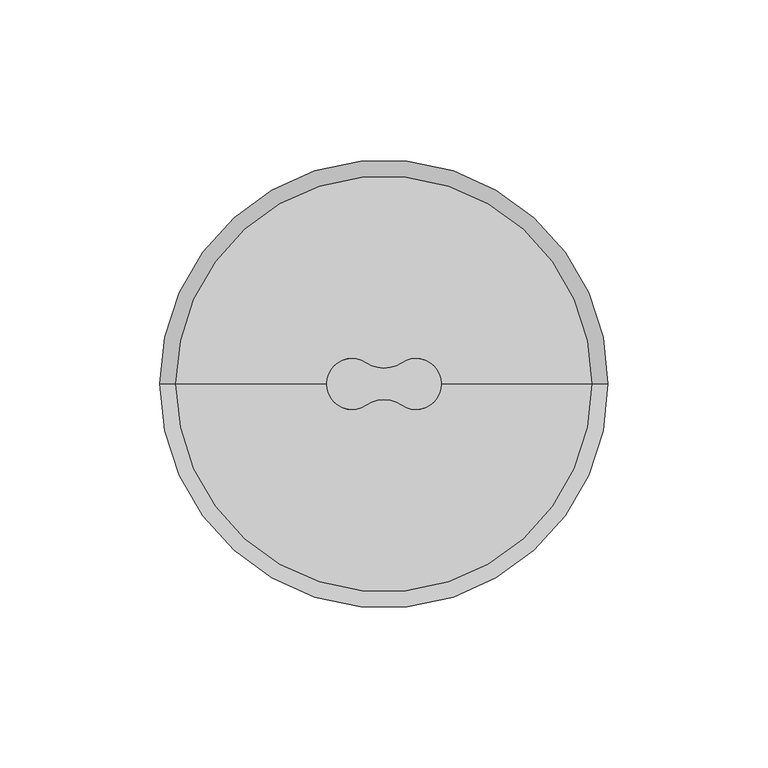
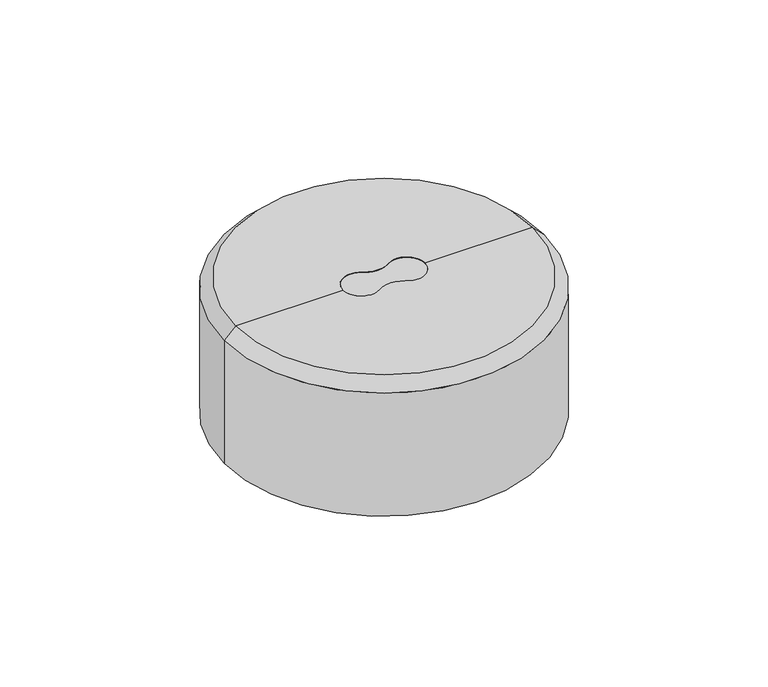
"""IFC4 building model written with IfcOpenShell, lengths in millimetres: light fixture geometry."""

from ifc_helpers import new_model, si_unit, point, frame, frame_2d, origin, place, context, project, spatial, polyline, circle_curve, trimmed, segment, composite_curve, outline, extrude, source, transform, mapped, element, save
from ifc_brep_helpers import plane_surface, cylinder_surface, revolved_surface, advanced_brep


def light_fixture_feec19c9(model_context):
    return source(origin(), model_context, "Body", "SolidModel", [
        advanced_brep(
        [(0.0, 0.0, 0.0), (-70.0, 0.0, 0.0), (70.0, 0.0, 0.0), (65.0, 0.0, 62.0), (-65.0, 0.0, 62.0), (-18.0, 0.0, 62.0), (-5.5555556, 6.6518354, 62.0), (5.5555556, 6.6518354, 62.0), (18.0, 0.0, 62.0), (5.5555556, -6.6518354, 62.0), (-5.5555556, -6.6518354, 62.0), (70.0, 0.0, 57.0), (-70.0, 0.0, 57.0), (-5.5555556, -6.6518354, 57.0), (5.5555556, -6.6518354, 57.0), (5.5555556, 6.6518354, 57.0), (-5.5555556, 6.6518354, 57.0)],
        [
            (0, 1),
            (1, 2, circle_curve(frame((0.0, 0.0, 0.0), z_axis=(0.0, 0.0, -1.0), x_axis=(-1.0, 0.0, 0.0)), 70.0)),
            (2, 0),
            (2, 1, circle_curve(frame((0.0, 0.0, 0.0), z_axis=(0.0, 0.0, -1.0), x_axis=(-1.0, 0.0, 0.0)), 70.0)),
            (3, 4, circle_curve(frame((0.0, 0.0, 62.0), z_axis=(0.0, 0.0, 1.0), x_axis=(-1.0, 0.0, 0.0)), 65.0)),
            (4, 5),
            (5, 6, circle_curve(frame((-10.0, 0.0, 62.0), z_axis=(0.0, 0.0, -1.0), x_axis=(1.0, 0.0, 0.0)), 8.0)),
            (6, 7, circle_curve(frame((0.0, 14.9666295, 62.0), z_axis=(0.0, 0.0, 1.0), x_axis=(1.0, 0.0, 0.0)), 10.0)),
            (7, 8, circle_curve(frame((10.0, 0.0, 62.0), z_axis=(0.0, 0.0, -1.0), x_axis=(-1.0, 0.0, 0.0)), 8.0)),
            (8, 3),
            (4, 3, circle_curve(frame((0.0, 0.0, 62.0), z_axis=(0.0, 0.0, 1.0), x_axis=(-1.0, 0.0, 0.0)), 65.0)),
            (8, 9, circle_curve(frame((10.0, 0.0, 62.0), z_axis=(0.0, 0.0, -1.0), x_axis=(-1.0, 0.0, 0.0)), 8.0)),
            (9, 10, circle_curve(frame((0.0, -14.9666295, 62.0), z_axis=(0.0, 0.0, 1.0), x_axis=(1.0, 0.0, 0.0)), 10.0)),
            (10, 5, circle_curve(frame((-10.0, 0.0, 62.0), z_axis=(0.0, 0.0, -1.0), x_axis=(1.0, 0.0, 0.0)), 8.0)),
            (3, 11),
            (11, 12, circle_curve(frame((0.0, 0.0, 57.0), z_axis=(0.0, 0.0, 1.0), x_axis=(-1.0, 0.0, 0.0)), 70.0)),
            (12, 4),
            (12, 11, circle_curve(frame((0.0, 0.0, 57.0), z_axis=(0.0, 0.0, 1.0), x_axis=(-1.0, 0.0, 0.0)), 70.0)),
            (1, 12),
            (11, 2),
            (13, 14, circle_curve(frame((0.0, -14.9666295, 57.0), z_axis=(0.0, 0.0, -1.0), x_axis=(1.0, 0.0, 0.0)), 10.0)),
            (14, 15, circle_curve(frame((10.0, 0.0, 57.0), z_axis=(0.0, 0.0, 1.0), x_axis=(-1.0, 0.0, 0.0)), 8.0)),
            (15, 16, circle_curve(frame((0.0, 14.9666295, 57.0), z_axis=(0.0, 0.0, -1.0), x_axis=(1.0, 0.0, 0.0)), 10.0)),
            (16, 13, circle_curve(frame((-10.0, 0.0, 57.0), z_axis=(0.0, 0.0, 1.0), x_axis=(1.0, 0.0, 0.0)), 8.0)),
            (13, 10),
            (9, 14),
            (7, 15),
            (6, 16),
        ],
        [
            plane_surface(frame((0.0, 0.0, 0.0), z_axis=(0.0, 0.0, -1.0), x_axis=(-1.0, 0.0, 0.0))),
            plane_surface(frame((0.0, 0.0, 62.0), z_axis=(0.0, 0.0, 1.0), x_axis=(-1.0, 0.0, 0.0))),
            revolved_surface(polyline([(-65.0, 0.0, 62.0), (-70.0, 0.0, 57.0)]), (0.0, 0.0, 0.0), (0.0, 0.0, -1.0)),
            cylinder_surface(frame((0.0, 0.0, 0.0), z_axis=(0.0, 0.0, -1.0), x_axis=(-1.0, 0.0, 0.0)), 70.0),
            plane_surface(frame((10.0, -14.9666295, 57.0), z_axis=(0.0, 0.0, 1.0), x_axis=(0.0, 1.0, 0.0))),
            cylinder_surface(frame((0.0, -14.9666295, 57.0), z_axis=(0.0, 0.0, -1.0), x_axis=(1.0, 0.0, 0.0)), 10.0),
            revolved_surface(polyline([(2.0, 0.0, 62.0), (2.0, 0.0, 57.0)]), (10.0, 0.0, 57.0), (0.0, 0.0, 1.0)),
            cylinder_surface(frame((0.0, 14.9666295, 57.0), z_axis=(0.0, 0.0, -1.0), x_axis=(1.0, 0.0, 0.0)), 10.0),
            revolved_surface(polyline([(-2.0, 0.0, 62.0), (-2.0, 0.0, 57.0)]), (-10.0, 0.0, 57.0), (0.0, 0.0, 1.0)),
        ],
        [
            (0, [[1, 2, 3]]),
            (0, [[-1, -3, 4]]),
            (1, [[5, 6, 7, 8, 9, 10]]),
            (1, [[11, -10, 12, 13, 14, -6]]),
            (2, [[-5, 15, 16, 17]]),
            (2, [[-11, -17, 18, -15]]),
            (3, [[-2, 19, -16, 20]]),
            (3, [[-4, -20, -18, -19]]),
            (4, [[21, 22, 23, 24]]),
            (5, [[-21, 25, -13, 26]]),
            (6, [[-22, -26, -12, -9, 27]]),
            (7, [[-23, -27, -8, 28]]),
            (8, [[-24, -28, -7, -14, -25]]),
        ],
    ),
        extrude(outline(composite_curve([segment(trimmed(circle_curve(frame_2d((-10.0, 0.0)), 8.0), [point((-5.5555556, -6.6518354))], [point((-5.5555556, 6.6518354))], False, "CARTESIAN"), True, "CONTINUOUS"), segment(trimmed(circle_curve(frame_2d((0.0, 14.9666295)), 10.0), [point((-5.5555556, 6.6518354))], [point((5.5555556, 6.6518354))], True, "CARTESIAN"), True, "CONTINUOUS"), segment(trimmed(circle_curve(frame_2d((10.0, 0.0)), 8.0), [point((5.5555556, 6.6518354))], [point((5.5555556, -6.6518354))], False, "CARTESIAN"), True, "CONTINUOUS"), segment(trimmed(circle_curve(frame_2d((0.0, -14.9666295)), 10.0), [point((5.5555556, -6.6518354))], [point((-5.5555556, -6.6518354))], True, "CARTESIAN"), True, "CONTINUOUS")], self_intersect=False)), frame((0.0, 0.0, 57.0), z_axis=(0.0, 0.0, 1.0), x_axis=(1.0, 0.0, 0.0)), (0.0, 0.0, 1.0), 5.0),
    ])


if __name__ == "__main__":
    model = new_model("IFC4")
    model_context = context("Model", 3, world=origin())
    ifc_project = project(units=[si_unit("LENGTHUNIT", "METRE", prefix="MILLI")], contexts=[model_context])
    site = spatial("IfcSite", under=ifc_project)
    building = spatial("IfcBuilding", under=site)
    placement = place(None, origin())
    light_fixture_shape = light_fixture_feec19c9(model_context)
    element("IfcLightFixture", 1, at=placement, inside=building, context=model_context, shape_type="MappedRepresentation", body=[
        mapped(light_fixture_shape, transform((0.0, 0.0, 0.0), x_axis=(1.0, 0.0, 0.0), y_axis=(0.0, 1.0, 0.0), z_axis=(0.0, 0.0, 1.0))),
    ])
    save(model, "model.ifc")
